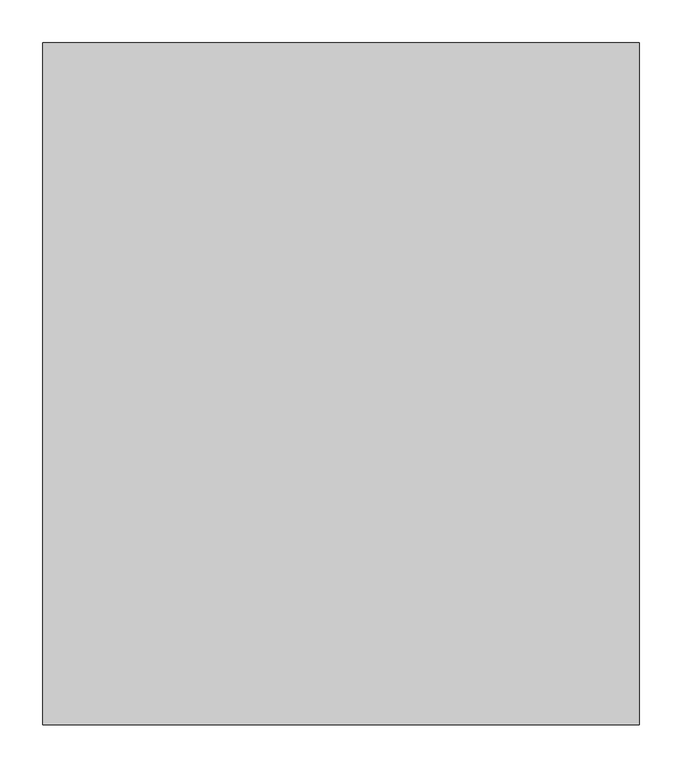
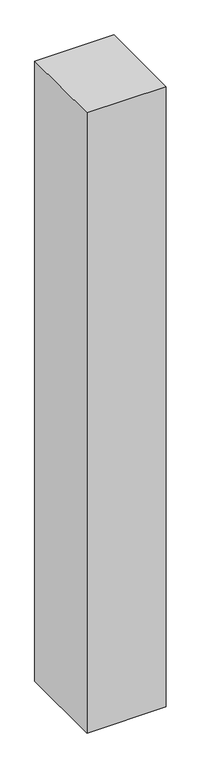
"""IFC4 building model written with IfcOpenShell, lengths in millimetres: proxy geometry."""

from ifc_helpers import new_model, si_unit, origin, origin_with_axes, place, context, project, spatial, polyline, outline, extrude, source, transform, mapped, element, save


def generic_models_3f3c637e(model_context):
    return source(origin(), model_context, "Body", "SweptSolid", [
        extrude(outline(polyline([(700.0, 800.0), (700.0, 0.0), (0.0, 0.0), (0.0, 800.0), (700.0, 800.0)])), origin_with_axes(), (0.0, 0.0, 1.0), 5800.0),
    ])


if __name__ == "__main__":
    model = new_model("IFC4")
    model_context = context("Model", 3, world=origin())
    ifc_project = project(units=[si_unit("LENGTHUNIT", "METRE", prefix="MILLI")], contexts=[model_context])
    site = spatial("IfcSite", under=ifc_project)
    building = spatial("IfcBuilding", under=site)
    placement = place(None, origin())
    generic_models_shape = generic_models_3f3c637e(model_context)
    element("IfcBuildingElementProxy", 1, Name="Generic Models", at=placement, inside=building, context=model_context, shape_type="MappedRepresentation", body=[
        mapped(generic_models_shape, transform((0.0, 0.0, 0.0), x_axis=(1.0, 0.0, 0.0), y_axis=(0.0, 1.0, 0.0), z_axis=(0.0, 0.0, 1.0))),
    ])
    save(model, "model.ifc")
